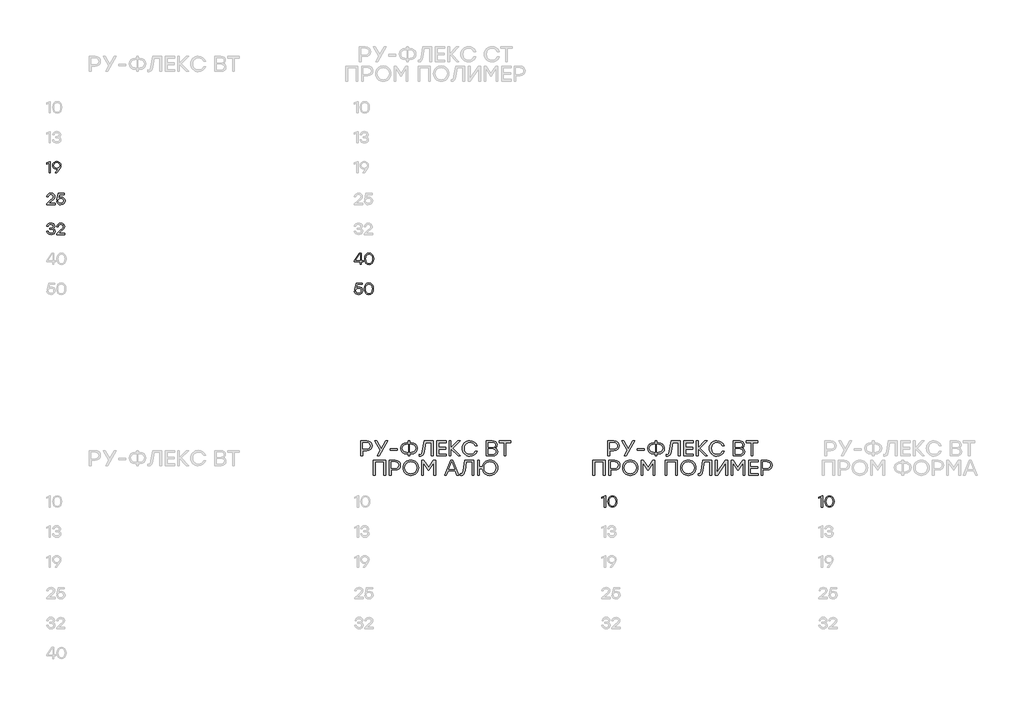
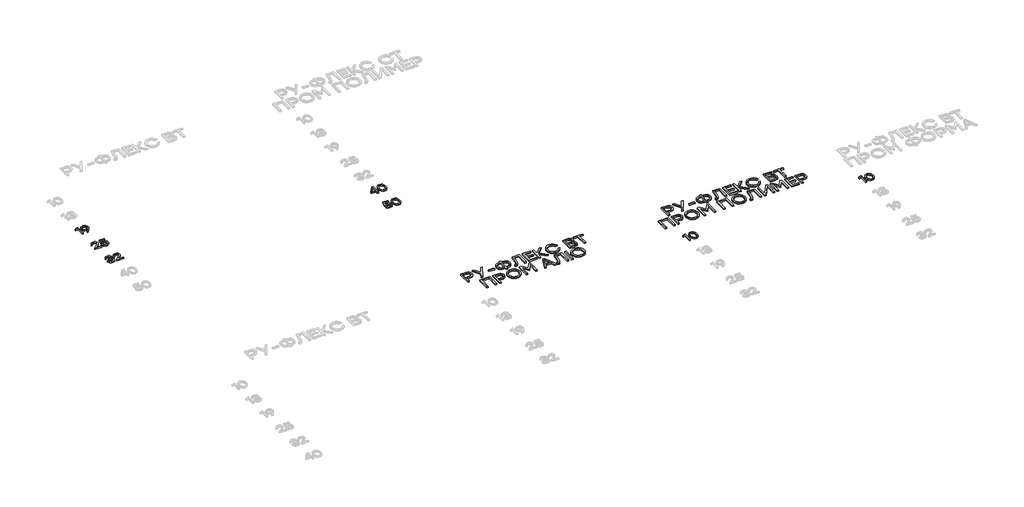
# One storey, part 19 of 41: 9 proxies.
"""IFC4 building model written with IfcOpenShell, lengths in millimetres."""

from ifc_helpers import new_model, si_unit, origin, origin_with_axes, place, context, project, spatial, polyline, outline, extrude, element, save

model = new_model("IFC4")

# Units and contexts
model_context = context("Model", 3, world=origin())
ifc_project = project(units=[si_unit("LENGTHUNIT", "METRE", prefix="MILLI")], contexts=[model_context])

# Site, building, storey
site = spatial("IfcSite", under=ifc_project)
building = spatial("IfcBuilding", under=site)
storey = spatial("IfcBuildingStorey", under=building, Elevation=0.0)

# Proxies
placement = place(None, origin())
element("IfcBuildingElementProxy", 1, Name="Generic Models", at=placement, inside=storey, context=model_context, shape_type="SweptSolid", body=[
    extrude(outline(polyline([(21471.7561063, -39096.9939183), (21479.9051135, -39096.9939183), (21479.9051135, -39246.9840604), (21462.1144592, -39246.9840604), (21462.1144592, -39117.7698524), (21427.6223744, -39131.6877112), (21427.6223744, -39114.1391067), (21471.7561063, -39096.9939183)])), origin_with_axes(), (0.0, 0.0, 1.0), 20.0),
    extrude(outline(polyline([(21563.3315831, -39094.6137627), (21585.2017837, -39098.2596366), (21603.2092742, -39109.1972582), (21615.2663758, -39126.3474893), (21619.2854097, -39148.6311915), (21616.6581617, -39166.4722728), (21608.7764177, -39184.4142082), (21567.0026705, -39243.9987805), (21564.6225149, -39246.9840604), (21543.8465808, -39246.9840604), (21586.4876728, -39189.9813517), (21572.5093016, -39195.9418261), (21558.4099055, -39197.9286508), (21538.7484086, -39194.5802964), (21522.2033018, -39184.5352331), (21510.963118, -39168.7011473), (21507.2163901, -39147.9857256), (21511.2354239, -39126.438258), (21523.2925255, -39109.3989663), (21541.3403577, -39098.3100636), (21563.3315831, -39094.6137627)]), holes=[polyline([(21563.129875, -39183.9704504), (21578.5151602, -39181.5096116), (21590.7840553, -39174.1270952), (21598.8170804, -39162.6196482), (21601.4947554, -39147.7840175), (21598.7616106, -39132.9433442), (21590.5621764, -39121.420769), (21578.2932813, -39114.0231245), (21563.3517539, -39111.557243), (21548.4102265, -39114.0735515), (21536.1413314, -39121.6224771), (21527.9418972, -39133.2459063), (21525.2087525, -39147.9857256), (21527.911641, -39162.7961427), (21536.0203066, -39174.2279492), (21548.2034757, -39181.5348251), (21563.129875, -39183.9704504)])]), origin_with_axes(), (0.0, 0.0, 1.0), 20.0),
])
element("IfcBuildingElementProxy", 2, Name="Generic Models", at=placement, inside=storey, context=model_context, shape_type="SweptSolid", body=[
    extrude(outline(polyline([(21542.2732576, -39653.838872), (21542.2732576, -39670.9840604), (21429.7604802, -39670.9840604), (21429.7604802, -39658.1150837), (21473.2487463, -39620.1939612), (21511.9363596, -39584.2092364), (21518.2901647, -39574.2448563), (21520.4080997, -39563.6350103), (21518.1035847, -39552.3595276), (21511.1900396, -39543.3835172), (21500.4188271, -39537.5138116), (21486.54131, -39535.557243), (21472.608323, -39537.6197083), (21461.6707014, -39543.8071042), (21453.7940002, -39553.7462708), (21449.0437744, -39567.064048), (21431.051412, -39567.064048), (21437.2488934, -39547.06469), (21449.4673614, -39531.6844475), (21466.5671655, -39521.8814339), (21487.4086548, -39518.6137627), (21507.9526246, -39521.7755372), (21524.1598704, -39531.2608605), (21534.6890331, -39545.5165804), (21538.198754, -39562.9895444), (21535.6521893, -39577.6285097), (21528.012495, -39590.724408), (21487.812071, -39628.9884343), (21459.0888377, -39653.838872), (21542.2732576, -39653.838872)])), origin_with_axes(), (0.0, 0.0, 1.0), 20.0),
    extrude(outline(polyline([(21623.3599133, -39571.9857256), (21643.2483318, -39575.3592936), (21659.667371, -39585.4799974), (21670.6806332, -39601.1779302), (21674.3517206, -39621.2831849), (21670.4436262, -39641.9834785), (21658.7193429, -39658.6596956), (21641.1556103, -39669.6578297), (21619.7291675, -39673.3238744), (21598.771696, -39670.2730394), (21580.9205293, -39661.1205344), (21567.9002715, -39646.3908005), (21561.435527, -39626.6082787), (21579.4278894, -39626.6082787), (21584.5764886, -39639.3108462), (21593.5676271, -39648.6953155), (21605.5642163, -39654.4893806), (21619.7291675, -39656.4207357), (21634.2168517, -39653.8993845), (21645.9713911, -39646.3353308), (21653.7623664, -39635.0295918), (21656.3593582, -39621.2831849), (21653.7875799, -39607.3401126), (21646.0722452, -39596.4125764), (21634.3933462, -39589.3477502), (21619.9308756, -39586.9928081), (21598.9330625, -39591.8640587), (21584.349567, -39606.4778105), (21567.2043786, -39606.4778105), (21585.4387907, -39520.9939183), (21667.2919371, -39520.9939183), (21667.2919371, -39537.8970569), (21598.9128917, -39537.8970569), (21589.0695365, -39584.6126526), (21604.500206, -39575.1424574), (21623.3599133, -39571.9857256)])), origin_with_axes(), (0.0, 0.0, 1.0), 20.0),
])
element("IfcBuildingElementProxy", 3, Name="Generic Models", at=placement, inside=storey, context=model_context, shape_type="SweptSolid", body=[
    extrude(outline(polyline([(21515.4864221, -39991.9144858), (21526.6963497, -39997.3807752), (21535.0722785, -40005.6306365), (21540.2914755, -40016.2909095), (21542.0312079, -40028.9884343), (21538.334907, -40047.2379745), (21527.2460043, -40061.3222425), (21510.1562856, -40070.3234664), (21488.4575369, -40073.3238744), (21467.0714357, -40070.4344058), (21449.1446285, -40061.7660003), (21436.2000112, -40047.5808783), (21429.7604802, -40028.1412603), (21447.7528426, -40028.1412603), (21452.6140078, -40040.5135308), (21460.9848939, -40049.3508668), (21472.8655009, -40054.6532685), (21488.2558288, -40056.4207357), (21503.1671, -40054.4893806), (21514.4980524, -40048.6953155), (21521.6536472, -40039.5831522), (21524.0388455, -40027.6975024), (21522.0318499, -40016.9162046), (21516.0108632, -40008.5352331), (21505.6430669, -40003.1496268), (21490.5956427, -40001.3544248), (21469.8197086, -40001.3544248), (21469.8197086, -39985.7018763), (21485.472257, -39985.7018763), (21500.1919055, -39984.2546207), (21510.7059402, -39979.9128539), (21517.014361, -39972.6765758), (21519.1171679, -39962.5457866), (21516.8378664, -39951.4064568), (21509.9999618, -39942.8389054), (21499.4102867, -39937.3776586), (21485.8756732, -39935.557243), (21473.0369528, -39937.0851818), (21462.7599251, -39941.6689984), (21455.0950174, -39949.7827067), (21450.0926565, -39961.9003207), (21432.1002941, -39961.9003207), (21438.7717895, -39942.6977097), (21450.6372684, -39929.2236087), (21466.7890444, -39921.2662242), (21486.3194311, -39918.6137627), (21506.3339171, -39921.5334874), (21522.6470596, -39930.2926616), (21533.4939126, -39943.6608659), (21537.1095303, -39960.4076807), (21531.5423868, -39979.690975), (21524.7448238, -39986.9222103), (21515.4864221, -39991.9144858)])), origin_with_axes(), (0.0, 0.0, 1.0), 20.0),
    extrude(outline(polyline([(21673.9483044, -40053.838872), (21673.9483044, -40070.9840604), (21561.435527, -40070.9840604), (21561.435527, -40058.1150837), (21604.923793, -40020.1939612), (21643.6114064, -39984.2092364), (21649.9652115, -39974.2448563), (21652.0831465, -39963.6350103), (21649.7786315, -39952.3595276), (21642.8650864, -39943.3835172), (21632.0938739, -39937.5138116), (21618.2163567, -39935.557243), (21604.2833698, -39937.6197083), (21593.3457482, -39943.8071042), (21585.4690469, -39953.7462708), (21580.7188212, -39967.064048), (21562.7264588, -39967.064048), (21568.9239401, -39947.06469), (21581.1424082, -39931.6844475), (21598.2422123, -39921.8814339), (21619.0837016, -39918.6137627), (21639.6276714, -39921.7755372), (21655.8349171, -39931.2608605), (21666.3640799, -39945.5165804), (21669.8738008, -39962.9895444), (21667.327236, -39977.6285097), (21659.6875418, -39990.724408), (21619.4871178, -40028.9884343), (21590.7638845, -40053.838872), (21673.9483044, -40053.838872)])), origin_with_axes(), (0.0, 0.0, 1.0), 20.0),
])
element("IfcBuildingElementProxy", 4, Name="Generic Models", at=placement, inside=storey, context=model_context, shape_type="SweptSolid", body=[
    extrude(outline(polyline([(25656.268899, -40418.2575634), (25656.268899, -40434.9993356), (25634.202033, -40434.9993356), (25634.202033, -40470.9840604), (25616.4113787, -40470.9840604), (25616.4113787, -40434.9993356), (25536.0508722, -40434.9993356), (25536.0508722, -40418.2575634), (25607.6169056, -40320.9939183), (25634.202033, -40320.9939183), (25634.202033, -40418.2575634), (25656.268899, -40418.2575634)]), holes=[polyline([(25555.7375827, -40418.0558553), (25616.4113787, -40418.0558553), (25616.4113787, -40337.6953488), (25614.6766891, -40337.6953488), (25555.7375827, -40418.0558553)])]), origin_with_axes(), (0.0, 0.0, 1.0), 20.0),
    extrude(outline(polyline([(25735.8629147, -40318.6137627), (25761.3689038, -40323.676636), (25780.4404045, -40338.8652558), (25792.3310969, -40363.266893), (25796.2946611, -40395.9688185), (25792.3310969, -40428.670744), (25780.4404045, -40453.0723813), (25761.3689038, -40468.2610011), (25735.8629147, -40473.3238744), (25710.5082067, -40468.2912573), (25691.4064498, -40453.1934061), (25679.4249887, -40428.8270678), (25675.4311684, -40395.9889893), (25679.4249887, -40363.1458682), (25691.4064498, -40338.7644018), (25710.5082067, -40323.6514225), (25735.8629147, -40318.6137627)]), holes=[polyline([(25704.6788427, -40441.7363861), (25718.1025167, -40452.7496483), (25735.8629147, -40456.4207357), (25753.6233128, -40452.7496483), (25767.0469868, -40441.7363861), (25775.4884707, -40422.9573621), (25778.3022987, -40395.9889893), (25775.4884707, -40369.0206166), (25767.0469868, -40350.2415926), (25753.6233128, -40339.2283304), (25735.8629147, -40335.557243), (25718.1025167, -40339.2283304), (25704.6788427, -40350.2415926), (25696.2373588, -40369.0206166), (25693.4235308, -40395.9889893), (25696.2373588, -40422.9573621), (25704.6788427, -40441.7363861)])]), origin_with_axes(), (0.0, 0.0, 1.0), 20.0),
])
element("IfcBuildingElementProxy", 5, Name="Generic Models", at=placement, inside=storey, context=model_context, shape_type="SweptSolid", body=[
    extrude(outline(polyline([(25600.1133644, -40771.9857256), (25620.0017829, -40775.3592936), (25636.4208221, -40785.4799974), (25647.4340843, -40801.1779302), (25651.1051717, -40821.2831849), (25647.1970773, -40841.9834785), (25635.4727941, -40858.6596956), (25617.9090614, -40869.6578297), (25596.4826186, -40873.3238744), (25575.5251471, -40870.2730394), (25557.6739804, -40861.1205344), (25544.6537227, -40846.3908005), (25538.1889781, -40826.6082787), (25556.1813405, -40826.6082787), (25561.3299397, -40839.3108462), (25570.3210782, -40848.6953155), (25582.3176674, -40854.4893806), (25596.4826186, -40856.4207357), (25610.9703028, -40853.8993845), (25622.7248422, -40846.3353308), (25630.5158175, -40835.0295918), (25633.1128093, -40821.2831849), (25630.541031, -40807.3401126), (25622.8256963, -40796.4125764), (25611.1467974, -40789.3477502), (25596.6843267, -40786.9928081), (25575.6865136, -40791.8640587), (25561.1030181, -40806.4778105), (25543.9578297, -40806.4778105), (25562.1922418, -40720.9939183), (25644.0453882, -40720.9939183), (25644.0453882, -40737.8970569), (25575.6663428, -40737.8970569), (25565.8229876, -40784.6126526), (25581.2536571, -40775.1424574), (25600.1133644, -40771.9857256)])), origin_with_axes(), (0.0, 0.0, 1.0), 20.0),
    extrude(outline(polyline([(25733.2810511, -40718.6137627), (25758.7870401, -40723.676636), (25777.8585409, -40738.8652558), (25789.7492333, -40763.266893), (25793.7127974, -40795.9688185), (25789.7492333, -40828.670744), (25777.8585409, -40853.0723813), (25758.7870401, -40868.2610011), (25733.2810511, -40873.3238744), (25707.9263431, -40868.2912573), (25688.8245861, -40853.1934061), (25676.8431251, -40828.8270678), (25672.8493047, -40795.9889893), (25676.8431251, -40763.1458682), (25688.8245861, -40738.7644018), (25707.9263431, -40723.6514225), (25733.2810511, -40718.6137627)]), holes=[polyline([(25702.096979, -40841.7363861), (25715.520653, -40852.7496483), (25733.2810511, -40856.4207357), (25751.0414492, -40852.7496483), (25764.4651231, -40841.7363861), (25772.906607, -40822.9573621), (25775.720435, -40795.9889893), (25772.906607, -40769.0206166), (25764.4651231, -40750.2415926), (25751.0414492, -40739.2283304), (25733.2810511, -40735.557243), (25715.520653, -40739.2283304), (25702.096979, -40750.2415926), (25693.6554951, -40769.0206166), (25690.8416671, -40795.9889893), (25693.6554951, -40822.9573621), (25702.096979, -40841.7363861)])]), origin_with_axes(), (0.0, 0.0, 1.0), 20.0),
])
element("IfcBuildingElementProxy", 6, Name="Generic Models", at=placement, inside=storey, context=model_context, shape_type="SweptSolid", body=[
    extrude(outline(polyline([(25706.1917531, -42828.8171815), (25735.2108249, -42833.2816541), (25757.0759828, -42846.6750718), (25770.7921335, -42867.128273), (25775.3641837, -42892.772096), (25770.7517919, -42918.8058879), (25756.9146163, -42939.6759525), (25735.0091168, -42953.3921032), (25706.1917531, -42957.9641534), (25649.6059079, -42957.9641534), (25649.6059079, -43028.8040377), (25625.8850355, -43028.8040377), (25625.8850355, -42828.8171815), (25706.1917531, -42828.8171815)]), holes=[polyline([(25705.3311319, -42935.3728464), (25725.1993796, -42932.3741193), (25739.6215087, -42923.3779381), (25748.3958109, -42909.8097067), (25751.3205784, -42893.0948289), (25748.3958109, -42876.4471872), (25739.6215087, -42863.0806639), (25725.1993796, -42854.2861908), (25705.3311319, -42851.3546997), (25649.6059079, -42851.3546997), (25649.6059079, -42935.3728464), (25705.3311319, -42935.3728464)])]), origin_with_axes(), (0.0, 0.0, 1.0), 20.0),
    extrude(outline(polyline([(25984.3875627, -42828.8171815), (25871.269661, -43028.8040377), (25844.4290367, -43028.8040377), (25885.8464329, -42956.242911), (25812.9625733, -42828.8171815), (25839.8569865, -42828.8171815), (25898.9709066, -42930.8007962), (25957.8158825, -42828.8171815), (25984.3875627, -42828.8171815)])), origin_with_axes(), (0.0, 0.0, 1.0), 20.0),
    extrude(outline(polyline([(26110.952671, -42931.3924733), (26110.952671, -42953.9299915), (26018.3283121, -42953.9299915), (26018.3283121, -42931.3924733), (26110.952671, -42931.3924733)])), origin_with_axes(), (0.0, 0.0, 1.0), 20.0),
    extrude(outline(polyline([(26301.5264826, -42851.3546997), (26333.1744832, -42856.4646382), (26358.9460546, -42871.7944537), (26368.9356482, -42882.8968036), (26376.0710722, -42895.7640994), (26381.7794114, -42926.7935286), (26376.1046902, -42957.8229578), (26369.0112888, -42970.6902536), (26359.0805267, -42981.7926035), (26333.3425733, -42997.122419), (26301.5264826, -43002.2323575), (26281.7859833, -43002.2323575), (26281.7859833, -43028.8040377), (26258.0651109, -43028.8040377), (26258.0651109, -43002.2323575), (26238.1094564, -43002.2323575), (26206.253024, -42997.122419), (26180.5016234, -42981.7926035), (26170.5708613, -42970.6902536), (26163.4774599, -42957.8229578), (26157.8027387, -42926.7935286), (26163.5178015, -42895.7640994), (26170.66163, -42882.8968036), (26180.6629899, -42871.7944537), (26206.4547321, -42856.4646382), (26238.1094564, -42851.3546997), (26258.0651109, -42851.3546997), (26258.0651109, -42828.8171815), (26281.7859833, -42828.8171815), (26281.7859833, -42851.3546997), (26301.5264826, -42851.3546997)]), holes=[polyline([(26301.5264826, -42979.6410504), (26324.1312368, -42976.1783948), (26342.2446241, -42965.7904277), (26354.1454019, -42949.1158915), (26358.1123278, -42926.7935286), (26354.1454019, -42904.4711657), (26342.2446241, -42887.7966295), (26324.1312368, -42877.4086625), (26301.5264826, -42873.9460068), (26281.7859833, -42873.9460068), (26281.7859833, -42979.6410504), (26301.5264826, -42979.6410504)]), polyline([(26238.1094564, -42979.6410504), (26258.0651109, -42979.6410504), (26258.0651109, -42873.9460068), (26238.1094564, -42873.9460068), (26215.7064102, -42877.4086625), (26197.660259, -42887.7966295), (26185.7594812, -42904.4711657), (26181.7925552, -42926.7935286), (26185.7191396, -42949.1158915), (26197.4988925, -42965.7904277), (26215.5047021, -42976.1783948), (26238.1094564, -42979.6410504)])]), origin_with_axes(), (0.0, 0.0, 1.0), 20.0),
    extrude(outline(polyline([(26471.4453848, -42828.8171815), (26591.7172004, -42828.8171815), (26591.7172004, -43028.8040377), (26567.9963281, -43028.8040377), (26567.9963281, -42851.3546997), (26491.4010394, -42851.3546997), (26472.3060061, -42967.6461422), (26465.205881, -42997.6670309), (26455.4163146, -43017.3739121), (26442.2111578, -43028.2863202), (26424.8642613, -43031.9237896), (26409.157924, -43031.0631684), (26409.157924, -43009.3862714), (26420.292211, -43009.9241597), (26430.9894639, -43007.6381345), (26438.5535176, -43000.7800592), (26448.8540778, -42966.2476327), (26471.4453848, -42828.8171815)])), origin_with_axes(), (0.0, 0.0, 1.0), 20.0),
    extrude(outline(polyline([(26768.3059172, -42851.3546997), (26665.1389483, -42851.3546997), (26665.1389483, -42914.8255148), (26761.4209474, -42914.8255148), (26761.4209474, -42937.363033), (26665.1389483, -42937.363033), (26665.1389483, -43006.2127306), (26768.3059172, -43006.2127306), (26768.3059172, -43028.8040377), (26641.4180759, -43028.8040377), (26641.4180759, -42828.8171815), (26768.3059172, -42828.8171815), (26768.3059172, -42851.3546997)])), origin_with_axes(), (0.0, 0.0, 1.0), 20.0),
    extrude(outline(polyline([(26954.9531444, -43028.8040377), (26924.4010911, -43028.8040377), (26830.3782227, -42931.6614174), (26830.3782227, -43028.8040377), (26806.6573503, -43028.8040377), (26806.6573503, -42828.8171815), (26830.3782227, -42828.8171815), (26830.3782227, -42922.5173169), (26921.2813392, -42828.8171815), (26951.5644484, -42828.8171815), (26856.9499029, -42926.820423), (26954.9531444, -43028.8040377)])), origin_with_axes(), (0.0, 0.0, 1.0), 20.0),
    extrude(outline(polyline([(27083.9925387, -43031.9237896), (27062.7946985, -43030.0848841), (27043.4693817, -43024.5681676), (27026.0165885, -43015.3736401), (27010.4363188, -43002.5013016), (26997.6228118, -42986.8605195), (26988.4703068, -42969.360661), (26982.9788038, -42950.0017263), (26981.1483028, -42928.7837152), (26982.9788038, -42907.5657041), (26988.4703068, -42888.2067693), (26997.6228118, -42870.7069109), (27010.4363188, -42855.0661287), (27026.0165885, -42842.1937902), (27043.4693817, -42832.9992628), (27062.7946985, -42827.4825463), (27083.9925387, -42825.6436408), (27115.4724493, -42830.182073), (27142.9988812, -42843.7973696), (27164.7430142, -42865.0506796), (27178.8760283, -42892.5031518), (27153.4339135, -42892.5031518), (27141.9701699, -42874.2956341), (27125.86714, -42860.2298561), (27106.1199171, -42851.2336749), (27083.7235946, -42848.2349478), (27052.8219139, -42853.9836286), (27027.5680599, -42871.229671), (27010.7456045, -42897.1222673), (27005.1381194, -42928.8106096), (27010.7456045, -42960.4989519), (27027.5680599, -42986.3915481), (27052.8219139, -43003.6375906), (27083.7235946, -43009.3862714), (27106.1199171, -43006.3875443), (27125.86714, -42997.3913631), (27141.9701699, -42983.3121378), (27153.4339135, -42965.0642785), (27178.8760283, -42965.0642785), (27164.7430142, -42992.5503688), (27142.9988812, -43013.7969551), (27115.4724493, -43027.392081), (27083.9925387, -43031.9237896)])), origin_with_axes(), (0.0, 0.0, 1.0), 20.0),
    extrude(outline(polyline([(27417.2681065, -42922.5173169), (27432.3995757, -42929.3451361), (27443.2077679, -42940.0928159), (27449.6926833, -42954.7603565), (27451.8543218, -42973.3477578), (27447.6722405, -42996.5509127), (27435.1259968, -43014.0927937), (27414.5786651, -43025.1262267), (27386.3933202, -43028.8040377), (27302.3751735, -43028.8040377), (27302.3751735, -42828.8171815), (27384.9948107, -42828.8171815), (27411.2908231, -42832.1386415), (27430.258108, -42842.1030216), (27441.7352988, -42858.1320918), (27445.5610291, -42879.6476224), (27443.7927214, -42894.0058772), (27438.4877984, -42905.9369112), (27429.6462601, -42915.4407245), (27417.2681065, -42922.5173169)]), holes=[polyline([(27386.124376, -43006.2127306), (27404.5033456, -43004.054454), (27417.631181, -42997.579624), (27425.5078823, -42986.7882407), (27428.1334494, -42971.6803042), (27425.6322689, -42956.3572123), (27418.1287277, -42945.243096), (27404.9773596, -42938.4858747), (27385.5326989, -42936.2334676), (27326.0960459, -42936.2334676), (27326.0960459, -43006.2127306), (27386.124376, -43006.2127306)]), polyline([(27421.5712126, -42883.0901072), (27419.2851874, -42869.3067205), (27412.4271121, -42859.3692348), (27400.2842846, -42853.3583335), (27382.1440029, -42851.3546997), (27326.0960459, -42851.3546997), (27326.0960459, -42914.5027818), (27381.5523258, -42914.5027818), (27400.1363653, -42912.5058716), (27412.4271121, -42906.5151411), (27419.2851874, -42896.6650623), (27421.5712126, -42883.0901072)])]), origin_with_axes(), (0.0, 0.0, 1.0), 20.0),
    extrude(outline(polyline([(27629.1960821, -42828.8171815), (27629.1960821, -42851.3546997), (27564.5957017, -42851.3546997), (27564.5957017, -43028.8040377), (27540.6058852, -43028.8040377), (27540.6058852, -42851.3546997), (27476.3282377, -42851.3546997), (27476.3282377, -42828.8171815), (27629.1960821, -42828.8171815)])), origin_with_axes(), (0.0, 0.0, 1.0), 20.0),
    extrude(outline(polyline([(25956.3097954, -43087.3394245), (25956.3097954, -43287.3262807), (25932.588923, -43287.3262807), (25932.588923, -43109.8769427), (25816.5664247, -43109.8769427), (25816.5664247, -43287.3262807), (25792.8455523, -43287.3262807), (25792.8455523, -43087.3394245), (25816.5664247, -43087.3394245), (25956.3097954, -43087.3394245)])), origin_with_axes(), (0.0, 0.0, 1.0), 20.0),
    extrude(outline(polyline([(26086.5863327, -43087.3394245), (26115.6054045, -43091.8038971), (26137.4705624, -43105.1973149), (26151.1867131, -43125.6505161), (26155.7587633, -43151.294339), (26151.1463715, -43177.3281309), (26137.3091959, -43198.1981955), (26115.4036964, -43211.9143462), (26086.5863327, -43216.4863965), (26030.0004874, -43216.4863965), (26030.0004874, -43287.3262807), (26006.279615, -43287.3262807), (26006.279615, -43087.3394245), (26086.5863327, -43087.3394245)]), holes=[polyline([(26085.7257115, -43193.8950894), (26105.5939592, -43190.8963623), (26120.0160882, -43181.9001812), (26128.7903905, -43168.3319497), (26131.715158, -43151.6170719), (26128.7903905, -43134.9694302), (26120.0160882, -43121.6029069), (26105.5939592, -43112.8084338), (26085.7257115, -43109.8769427), (26030.0004874, -43109.8769427), (26030.0004874, -43193.8950894), (26085.7257115, -43193.8950894)])]), origin_with_axes(), (0.0, 0.0, 1.0), 20.0),
    extrude(outline(polyline([(26220.3591437, -43113.7497382), (26236.1528878, -43100.8068019), (26253.6813216, -43091.5618474), (26272.944445, -43086.0148747), (26293.9422581, -43084.1658838), (26314.9215812, -43086.0148747), (26334.1292349, -43091.5618474), (26351.5652191, -43100.8068019), (26367.2295339, -43113.7497382), (26380.1607039, -43129.4426283), (26389.3972539, -43146.9374441), (26394.9391839, -43166.2341855), (26396.7864939, -43187.3328526), (26394.9290985, -43208.4298388), (26389.3569123, -43227.7215376), (26380.0699353, -43245.2079488), (26367.0681674, -43260.8890726), (26351.3349357, -43273.8202426), (26333.8535672, -43283.0567926), (26314.6240618, -43288.5987226), (26293.6464195, -43290.4460326), (26272.6687773, -43288.5987226), (26253.4392719, -43283.0567926), (26235.9579033, -43273.8202426), (26220.2246716, -43260.8890726), (26207.2229038, -43245.2079488), (26197.9359267, -43227.7215376), (26192.3637405, -43208.4298388), (26190.5063451, -43187.3328526), (26192.372145, -43166.2341855), (26197.9695447, -43146.9374441), (26207.2985443, -43129.4426283), (26220.3591437, -43113.7497382)]), holes=[polyline([(26293.6733139, -43106.7571908), (26262.8657637, -43112.5394896), (26237.3564128, -43129.8863861), (26220.2112244, -43155.8058768), (26214.4961616, -43187.3059582), (26220.2112244, -43218.8127632), (26237.3564128, -43244.7524247), (26262.8657637, -43262.119492), (26293.6733139, -43267.9085144), (26324.6422307, -43262.1598336), (26350.0977927, -43244.9137912), (26367.1219562, -43219.0211949), (26372.7966774, -43187.3328526), (26367.1219562, -43155.6445103), (26350.0977927, -43129.7519141), (26324.6422307, -43112.5058716), (26293.6733139, -43106.7571908)])]), origin_with_axes(), (0.0, 0.0, 1.0), 20.0),
    extrude(outline(polyline([(26594.6217971, -43087.3394245), (26623.7753409, -43087.3394245), (26623.7753409, -43287.3262807), (26600.0544685, -43287.3262807), (26600.0544685, -43117.8914779), (26532.3343362, -43220.1978255), (26530.0752055, -43220.1978255), (26462.3550732, -43117.8914779), (26462.3550732, -43287.3262807), (26438.6342008, -43287.3262807), (26438.6342008, -43087.3394245), (26467.7877447, -43087.3394245), (26531.2047709, -43182.7608024), (26594.6217971, -43087.3394245)])), origin_with_axes(), (0.0, 0.0, 1.0), 20.0),
    extrude(outline(polyline([(26910.200841, -43287.3262807), (26886.4799686, -43227.2979505), (26793.6404544, -43227.2979505), (26769.919582, -43287.3262807), (26744.8002001, -43287.3262807), (26824.7841848, -43087.3394245), (26855.3362381, -43087.3394245), (26935.3740117, -43287.3262807), (26910.200841, -43287.3262807)]), holes=[polyline([(26802.7845548, -43204.7604323), (26877.658601, -43204.7604323), (26840.2215779, -43109.8769427), (26802.7845548, -43204.7604323)])]), origin_with_axes(), (0.0, 0.0, 1.0), 20.0),
    extrude(outline(polyline([(27017.0792388, -43087.3394245), (27137.3510544, -43087.3394245), (27137.3510544, -43287.3262807), (27113.630182, -43287.3262807), (27113.630182, -43109.8769427), (27037.0348934, -43109.8769427), (27017.93986, -43226.1683852), (27010.839735, -43256.1892739), (27001.0501686, -43275.8961551), (26987.8450117, -43286.8085632), (26970.4981152, -43290.4460326), (26954.791778, -43289.5854114), (26954.791778, -43267.9085144), (26965.926065, -43268.4464027), (26976.6233178, -43266.1603775), (26984.1873715, -43259.3023022), (26994.4879318, -43224.7698757), (27017.0792388, -43087.3394245)])), origin_with_axes(), (0.0, 0.0, 1.0), 20.0),
    extrude(outline(polyline([(27351.3767942, -43084.1658838), (27372.3645219, -43086.0148747), (27391.5973891, -43091.5618474), (27409.0753959, -43100.8068019), (27424.7985421, -43113.7497382), (27437.7885437, -43129.4426283), (27447.0671162, -43146.9374441), (27452.6342597, -43166.2341855), (27454.4899743, -43187.3328526), (27452.6342597, -43208.4298388), (27447.0671162, -43227.7215376), (27437.7885437, -43245.2079488), (27424.7985421, -43260.8890726), (27409.0753959, -43273.8202426), (27391.5973891, -43283.0567926), (27372.3645219, -43288.5987226), (27351.3767942, -43290.4460326), (27331.8195132, -43288.8306869), (27313.704445, -43283.9846499), (27297.0315898, -43275.9079214), (27281.8009474, -43264.6005016), (27268.8563302, -43250.8120721), (27259.0415503, -43235.2923149), (27252.3566077, -43218.0412297), (27248.8015025, -43199.0588167), (27210.7728023, -43199.0588167), (27210.7728023, -43287.3262807), (27187.0519299, -43287.3262807), (27187.0519299, -43087.3394245), (27210.7728023, -43087.3394245), (27210.7728023, -43176.1985656), (27248.5325584, -43176.1985656), (27252.0859827, -43157.0648715), (27258.7658826, -43139.6826761), (27268.572258, -43124.0519794), (27281.5051089, -43110.1727813), (27296.7441557, -43098.7947636), (27313.4691189, -43090.6676081), (27331.6799984, -43085.7913149), (27351.3767942, -43084.1658838)]), holes=[polyline([(27294.8985266, -43244.9406856), (27320.3944303, -43262.1665572), (27351.3767942, -43267.9085144), (27382.345711, -43262.1598336), (27407.801273, -43244.9137912), (27424.8254366, -43219.0211949), (27430.5001577, -43187.3328526), (27424.8254366, -43155.6445103), (27407.801273, -43129.7519141), (27382.345711, -43112.5058716), (27351.3767942, -43106.7571908), (27320.4011539, -43112.5058716), (27294.925421, -43129.7519141), (27277.8138507, -43155.6445103), (27271.9306978, -43187.3328526), (27277.8071271, -43219.0279185), (27294.8985266, -43244.9406856)])]), origin_with_axes(), (0.0, 0.0, 1.0), 20.0),
])
element("IfcBuildingElementProxy", 7, Name="Generic Models", at=placement, inside=storey, context=model_context, shape_type="SweptSolid", body=[
    extrude(outline(polyline([(29006.1917531, -42828.8171815), (29035.2108249, -42833.2816541), (29057.0759828, -42846.6750718), (29070.7921335, -42867.128273), (29075.3641837, -42892.772096), (29070.7517919, -42918.8058879), (29056.9146163, -42939.6759525), (29035.0091168, -42953.3921032), (29006.1917531, -42957.9641534), (28949.6059079, -42957.9641534), (28949.6059079, -43028.8040377), (28925.8850355, -43028.8040377), (28925.8850355, -42828.8171815), (29006.1917531, -42828.8171815)]), holes=[polyline([(29005.3311319, -42935.3728464), (29025.1993796, -42932.3741193), (29039.6215087, -42923.3779381), (29048.3958109, -42909.8097067), (29051.3205784, -42893.0948289), (29048.3958109, -42876.4471872), (29039.6215087, -42863.0806639), (29025.1993796, -42854.2861908), (29005.3311319, -42851.3546997), (28949.6059079, -42851.3546997), (28949.6059079, -42935.3728464), (29005.3311319, -42935.3728464)])]), origin_with_axes(), (0.0, 0.0, 1.0), 20.0),
    extrude(outline(polyline([(29284.3875627, -42828.8171815), (29171.269661, -43028.8040377), (29144.4290367, -43028.8040377), (29185.8464329, -42956.242911), (29112.9625733, -42828.8171815), (29139.8569865, -42828.8171815), (29198.9709066, -42930.8007962), (29257.8158825, -42828.8171815), (29284.3875627, -42828.8171815)])), origin_with_axes(), (0.0, 0.0, 1.0), 20.0),
    extrude(outline(polyline([(29410.952671, -42931.3924733), (29410.952671, -42953.9299915), (29318.3283121, -42953.9299915), (29318.3283121, -42931.3924733), (29410.952671, -42931.3924733)])), origin_with_axes(), (0.0, 0.0, 1.0), 20.0),
    extrude(outline(polyline([(29601.5264826, -42851.3546997), (29633.1744832, -42856.4646382), (29658.9460546, -42871.7944537), (29668.9356482, -42882.8968036), (29676.0710722, -42895.7640994), (29681.7794114, -42926.7935286), (29676.1046902, -42957.8229578), (29669.0112888, -42970.6902536), (29659.0805267, -42981.7926035), (29633.3425733, -42997.122419), (29601.5264826, -43002.2323575), (29581.7859833, -43002.2323575), (29581.7859833, -43028.8040377), (29558.0651109, -43028.8040377), (29558.0651109, -43002.2323575), (29538.1094564, -43002.2323575), (29506.253024, -42997.122419), (29480.5016234, -42981.7926035), (29470.5708614, -42970.6902536), (29463.4774599, -42957.8229578), (29457.8027387, -42926.7935286), (29463.5178015, -42895.7640994), (29470.66163, -42882.8968036), (29480.6629899, -42871.7944537), (29506.4547321, -42856.4646382), (29538.1094564, -42851.3546997), (29558.0651109, -42851.3546997), (29558.0651109, -42828.8171815), (29581.7859833, -42828.8171815), (29581.7859833, -42851.3546997), (29601.5264826, -42851.3546997)]), holes=[polyline([(29601.5264826, -42979.6410504), (29624.1312368, -42976.1783948), (29642.2446241, -42965.7904277), (29654.1454019, -42949.1158915), (29658.1123278, -42926.7935286), (29654.1454019, -42904.4711657), (29642.2446241, -42887.7966295), (29624.1312368, -42877.4086625), (29601.5264826, -42873.9460068), (29581.7859833, -42873.9460068), (29581.7859833, -42979.6410504), (29601.5264826, -42979.6410504)]), polyline([(29538.1094564, -42979.6410504), (29558.0651109, -42979.6410504), (29558.0651109, -42873.9460068), (29538.1094564, -42873.9460068), (29515.7064102, -42877.4086625), (29497.660259, -42887.7966295), (29485.7594812, -42904.4711657), (29481.7925552, -42926.7935286), (29485.7191396, -42949.1158915), (29497.4988925, -42965.7904277), (29515.5047021, -42976.1783948), (29538.1094564, -42979.6410504)])]), origin_with_axes(), (0.0, 0.0, 1.0), 20.0),
    extrude(outline(polyline([(29771.4453848, -42828.8171815), (29891.7172004, -42828.8171815), (29891.7172004, -43028.8040377), (29867.9963281, -43028.8040377), (29867.9963281, -42851.3546997), (29791.4010394, -42851.3546997), (29772.3060061, -42967.6461422), (29765.205881, -42997.6670309), (29755.4163146, -43017.3739121), (29742.2111578, -43028.2863202), (29724.8642613, -43031.9237896), (29709.157924, -43031.0631684), (29709.157924, -43009.3862714), (29720.292211, -43009.9241597), (29730.9894639, -43007.6381345), (29738.5535176, -43000.7800592), (29748.8540778, -42966.2476327), (29771.4453848, -42828.8171815)])), origin_with_axes(), (0.0, 0.0, 1.0), 20.0),
    extrude(outline(polyline([(30068.3059172, -42851.3546997), (29965.1389483, -42851.3546997), (29965.1389483, -42914.8255148), (30061.4209474, -42914.8255148), (30061.4209474, -42937.363033), (29965.1389483, -42937.363033), (29965.1389483, -43006.2127306), (30068.3059172, -43006.2127306), (30068.3059172, -43028.8040377), (29941.4180759, -43028.8040377), (29941.4180759, -42828.8171815), (30068.3059172, -42828.8171815), (30068.3059172, -42851.3546997)])), origin_with_axes(), (0.0, 0.0, 1.0), 20.0),
    extrude(outline(polyline([(30254.9531444, -43028.8040377), (30224.4010911, -43028.8040377), (30130.3782227, -42931.6614174), (30130.3782227, -43028.8040377), (30106.6573503, -43028.8040377), (30106.6573503, -42828.8171815), (30130.3782227, -42828.8171815), (30130.3782227, -42922.5173169), (30221.2813392, -42828.8171815), (30251.5644484, -42828.8171815), (30156.9499029, -42926.820423), (30254.9531444, -43028.8040377)])), origin_with_axes(), (0.0, 0.0, 1.0), 20.0),
    extrude(outline(polyline([(30383.9925387, -43031.9237896), (30362.7946985, -43030.0848841), (30343.4693817, -43024.5681676), (30326.0165885, -43015.3736401), (30310.4363188, -43002.5013016), (30297.6228118, -42986.8605195), (30288.4703068, -42969.360661), (30282.9788038, -42950.0017263), (30281.1483028, -42928.7837152), (30282.9788038, -42907.5657041), (30288.4703068, -42888.2067693), (30297.6228118, -42870.7069109), (30310.4363188, -42855.0661287), (30326.0165885, -42842.1937902), (30343.4693817, -42832.9992628), (30362.7946985, -42827.4825463), (30383.9925387, -42825.6436408), (30415.4724493, -42830.182073), (30442.9988812, -42843.7973696), (30464.7430142, -42865.0506796), (30478.8760283, -42892.5031518), (30453.4339135, -42892.5031518), (30441.9701699, -42874.2956341), (30425.86714, -42860.2298561), (30406.1199171, -42851.2336749), (30383.7235946, -42848.2349478), (30352.8219139, -42853.9836286), (30327.5680599, -42871.229671), (30310.7456045, -42897.1222673), (30305.1381194, -42928.8106096), (30310.7456045, -42960.4989519), (30327.5680599, -42986.3915481), (30352.8219139, -43003.6375906), (30383.7235946, -43009.3862714), (30406.1199171, -43006.3875443), (30425.86714, -42997.3913631), (30441.9701699, -42983.3121378), (30453.4339135, -42965.0642785), (30478.8760283, -42965.0642785), (30464.7430142, -42992.5503688), (30442.9988812, -43013.7969551), (30415.4724493, -43027.392081), (30383.9925387, -43031.9237896)])), origin_with_axes(), (0.0, 0.0, 1.0), 20.0),
    extrude(outline(polyline([(30717.2681065, -42922.5173169), (30732.3995757, -42929.3451361), (30743.2077679, -42940.0928159), (30749.6926833, -42954.7603565), (30751.8543218, -42973.3477578), (30747.6722405, -42996.5509127), (30735.1259968, -43014.0927937), (30714.5786651, -43025.1262267), (30686.3933202, -43028.8040377), (30602.3751735, -43028.8040377), (30602.3751735, -42828.8171815), (30684.9948107, -42828.8171815), (30711.2908231, -42832.1386415), (30730.258108, -42842.1030216), (30741.7352988, -42858.1320918), (30745.5610291, -42879.6476224), (30743.7927214, -42894.0058772), (30738.4877984, -42905.9369112), (30729.6462601, -42915.4407245), (30717.2681065, -42922.5173169)]), holes=[polyline([(30686.124376, -43006.2127306), (30704.5033456, -43004.054454), (30717.631181, -42997.579624), (30725.5078823, -42986.7882407), (30728.1334494, -42971.6803042), (30725.6322689, -42956.3572123), (30718.1287277, -42945.243096), (30704.9773596, -42938.4858747), (30685.5326989, -42936.2334676), (30626.0960459, -42936.2334676), (30626.0960459, -43006.2127306), (30686.124376, -43006.2127306)]), polyline([(30721.5712126, -42883.0901072), (30719.2851874, -42869.3067205), (30712.4271121, -42859.3692348), (30700.2842846, -42853.3583335), (30682.1440029, -42851.3546997), (30626.0960459, -42851.3546997), (30626.0960459, -42914.5027818), (30681.5523258, -42914.5027818), (30700.1363653, -42912.5058716), (30712.4271121, -42906.5151411), (30719.2851874, -42896.6650623), (30721.5712126, -42883.0901072)])]), origin_with_axes(), (0.0, 0.0, 1.0), 20.0),
    extrude(outline(polyline([(30929.1960821, -42828.8171815), (30929.1960821, -42851.3546997), (30864.5957017, -42851.3546997), (30864.5957017, -43028.8040377), (30840.6058852, -43028.8040377), (30840.6058852, -42851.3546997), (30776.3282377, -42851.3546997), (30776.3282377, -42828.8171815), (30929.1960821, -42828.8171815)])), origin_with_axes(), (0.0, 0.0, 1.0), 20.0),
    extrude(outline(polyline([(28887.9639129, -43087.3394245), (28887.9639129, -43287.3262807), (28864.2430405, -43287.3262807), (28864.2430405, -43109.8769427), (28748.2205422, -43109.8769427), (28748.2205422, -43287.3262807), (28724.4996698, -43287.3262807), (28724.4996698, -43087.3394245), (28748.2205422, -43087.3394245), (28887.9639129, -43087.3394245)])), origin_with_axes(), (0.0, 0.0, 1.0), 20.0),
    extrude(outline(polyline([(29018.2404502, -43087.3394245), (29047.259522, -43091.8038971), (29069.1246799, -43105.1973149), (29082.8408306, -43125.6505161), (29087.4128808, -43151.294339), (29082.800489, -43177.3281309), (29068.9633134, -43198.1981955), (29047.0578139, -43211.9143462), (29018.2404502, -43216.4863965), (28961.6546049, -43216.4863965), (28961.6546049, -43287.3262807), (28937.9337325, -43287.3262807), (28937.9337325, -43087.3394245), (29018.2404502, -43087.3394245)]), holes=[polyline([(29017.379829, -43193.8950894), (29037.2480767, -43190.8963623), (29051.6702058, -43181.9001812), (29060.444508, -43168.3319497), (29063.3692755, -43151.6170719), (29060.444508, -43134.9694302), (29051.6702058, -43121.6029069), (29037.2480767, -43112.8084338), (29017.379829, -43109.8769427), (28961.6546049, -43109.8769427), (28961.6546049, -43193.8950894), (29017.379829, -43193.8950894)])]), origin_with_axes(), (0.0, 0.0, 1.0), 20.0),
    extrude(outline(polyline([(29152.0132612, -43113.7497382), (29167.8070053, -43100.8068019), (29185.3354391, -43091.5618474), (29204.5985625, -43086.0148747), (29225.5963756, -43084.1658838), (29246.5756987, -43086.0148747), (29265.7833524, -43091.5618474), (29283.2193367, -43100.8068019), (29298.8836514, -43113.7497382), (29311.8148214, -43129.4426283), (29321.0513715, -43146.9374441), (29326.5933015, -43166.2341855), (29328.4406115, -43187.3328526), (29326.5832161, -43208.4298388), (29321.0110298, -43227.7215376), (29311.7240528, -43245.2079488), (29298.7222849, -43260.8890726), (29282.9890532, -43273.8202426), (29265.5076847, -43283.0567926), (29246.2781793, -43288.5987226), (29225.300537, -43290.4460326), (29204.3228948, -43288.5987226), (29185.0933894, -43283.0567926), (29167.6120208, -43273.8202426), (29151.8787891, -43260.8890726), (29138.8770213, -43245.2079488), (29129.5900442, -43227.7215376), (29124.017858, -43208.4298388), (29122.1604626, -43187.3328526), (29124.0262625, -43166.2341855), (29129.6236623, -43146.9374441), (29138.9526618, -43129.4426283), (29152.0132612, -43113.7497382)]), holes=[polyline([(29225.3274315, -43106.7571908), (29194.5198812, -43112.5394896), (29169.0105303, -43129.8863861), (29151.8653419, -43155.8058768), (29146.1502791, -43187.3059582), (29151.8653419, -43218.8127632), (29169.0105303, -43244.7524247), (29194.5198812, -43262.119492), (29225.3274315, -43267.9085144), (29256.2963482, -43262.1598336), (29281.7519102, -43244.9137912), (29298.7760738, -43219.0211949), (29304.4507949, -43187.3328526), (29298.7760738, -43155.6445103), (29281.7519102, -43129.7519141), (29256.2963482, -43112.5058716), (29225.3274315, -43106.7571908)])]), origin_with_axes(), (0.0, 0.0, 1.0), 20.0),
    extrude(outline(polyline([(29526.2759146, -43087.3394245), (29555.4294584, -43087.3394245), (29555.4294584, -43287.3262807), (29531.708586, -43287.3262807), (29531.708586, -43117.8914779), (29463.9884537, -43220.1978255), (29461.729323, -43220.1978255), (29394.0091907, -43117.8914779), (29394.0091907, -43287.3262807), (29370.2883183, -43287.3262807), (29370.2883183, -43087.3394245), (29399.4418622, -43087.3394245), (29462.8588884, -43182.7608024), (29526.2759146, -43087.3394245)])), origin_with_axes(), (0.0, 0.0, 1.0), 20.0),
    extrude(outline(polyline([(29855.302165, -43087.3394245), (29855.302165, -43287.3262807), (29831.5812926, -43287.3262807), (29831.5812926, -43109.8769427), (29715.5587943, -43109.8769427), (29715.5587943, -43287.3262807), (29691.8379219, -43287.3262807), (29691.8379219, -43087.3394245), (29715.5587943, -43087.3394245), (29855.302165, -43087.3394245)])), origin_with_axes(), (0.0, 0.0, 1.0), 20.0),
    extrude(outline(polyline([(29926.5723599, -43113.7497382), (29942.366104, -43100.8068019), (29959.8945378, -43091.5618474), (29979.1576612, -43086.0148747), (30000.1554743, -43084.1658838), (30021.1347974, -43086.0148747), (30040.3424511, -43091.5618474), (30057.7784353, -43100.8068019), (30073.4427501, -43113.7497382), (30086.3739201, -43129.4426283), (30095.6104701, -43146.9374441), (30101.1524001, -43166.2341855), (30102.9997101, -43187.3328526), (30101.1423147, -43208.4298388), (30095.5701285, -43227.7215376), (30086.2831515, -43245.2079488), (30073.2813836, -43260.8890726), (30057.5481519, -43273.8202426), (30040.0667834, -43283.0567926), (30020.837278, -43288.5987226), (29999.8596357, -43290.4460326), (29978.8819935, -43288.5987226), (29959.6524881, -43283.0567926), (29942.1711195, -43273.8202426), (29926.4378878, -43260.8890726), (29913.43612, -43245.2079488), (29904.1491429, -43227.7215376), (29898.5769567, -43208.4298388), (29896.7195613, -43187.3328526), (29898.5853612, -43166.2341855), (29904.1827609, -43146.9374441), (29913.5117605, -43129.4426283), (29926.5723599, -43113.7497382)]), holes=[polyline([(29999.8865301, -43106.7571908), (29969.0789799, -43112.5394896), (29943.569629, -43129.8863861), (29926.4244406, -43155.8058768), (29920.7093778, -43187.3059582), (29926.4244406, -43218.8127632), (29943.569629, -43244.7524247), (29969.0789799, -43262.119492), (29999.8865301, -43267.9085144), (30030.8554469, -43262.1598336), (30056.3110089, -43244.9137912), (30073.3351724, -43219.0211949), (30079.0098936, -43187.3328526), (30073.3351724, -43155.6445103), (30056.3110089, -43129.7519141), (30030.8554469, -43112.5058716), (29999.8865301, -43106.7571908)])]), origin_with_axes(), (0.0, 0.0, 1.0), 20.0),
    extrude(outline(polyline([(30193.149783, -43087.3394245), (30313.4215986, -43087.3394245), (30313.4215986, -43287.3262807), (30289.7007262, -43287.3262807), (30289.7007262, -43109.8769427), (30213.1054376, -43109.8769427), (30194.0104042, -43226.1683852), (30186.9102792, -43256.1892739), (30177.1207128, -43275.8961551), (30163.9155559, -43286.8085632), (30146.5686594, -43290.4460326), (30130.8623222, -43289.5854114), (30130.8623222, -43267.9085144), (30141.9966092, -43268.4464027), (30152.693862, -43266.1603775), (30160.2579157, -43259.3023022), (30170.558476, -43224.7698757), (30193.149783, -43087.3394245)])), origin_with_axes(), (0.0, 0.0, 1.0), 20.0),
    extrude(outline(polyline([(30496.303608, -43087.3394245), (30525.4571519, -43087.3394245), (30525.4571519, -43287.3262807), (30501.7362795, -43287.3262807), (30501.7362795, -43203.630867), (30503.7264661, -43119.0210432), (30390.8775085, -43287.3262807), (30361.7239646, -43287.3262807), (30361.7239646, -43087.3394245), (30385.444837, -43087.3394245), (30385.444837, -43171.0348382), (30383.4546505, -43255.5908732), (30496.303608, -43087.3394245)])), origin_with_axes(), (0.0, 0.0, 1.0), 20.0),
    extrude(outline(polyline([(30727.7031388, -43087.3394245), (30756.8566826, -43087.3394245), (30756.8566826, -43287.3262807), (30733.1358102, -43287.3262807), (30733.1358102, -43117.8914779), (30665.4156779, -43220.1978255), (30663.1565472, -43220.1978255), (30595.4364149, -43117.8914779), (30595.4364149, -43287.3262807), (30571.7155425, -43287.3262807), (30571.7155425, -43087.3394245), (30600.8690864, -43087.3394245), (30664.2861126, -43182.7608024), (30727.7031388, -43087.3394245)])), origin_with_axes(), (0.0, 0.0, 1.0), 20.0),
    extrude(outline(polyline([(30934.0908653, -43109.8769427), (30830.9238964, -43109.8769427), (30830.9238964, -43173.3477578), (30927.2058955, -43173.3477578), (30927.2058955, -43195.885276), (30830.9238964, -43195.885276), (30830.9238964, -43264.7349736), (30934.0908653, -43264.7349736), (30934.0908653, -43287.3262807), (30807.203024, -43287.3262807), (30807.203024, -43087.3394245), (30934.0908653, -43087.3394245), (30934.0908653, -43109.8769427)])), origin_with_axes(), (0.0, 0.0, 1.0), 20.0),
    extrude(outline(polyline([(31052.7490161, -43087.3394245), (31081.7680879, -43091.8038971), (31103.6332458, -43105.1973149), (31117.3493965, -43125.6505161), (31121.9214467, -43151.294339), (31117.3090548, -43177.3281309), (31103.4718793, -43198.1981955), (31081.5663798, -43211.9143462), (31052.7490161, -43216.4863965), (30996.1631708, -43216.4863965), (30996.1631708, -43287.3262807), (30972.4422984, -43287.3262807), (30972.4422984, -43087.3394245), (31052.7490161, -43087.3394245)]), holes=[polyline([(31051.8883949, -43193.8950894), (31071.7566426, -43190.8963623), (31086.1787716, -43181.9001812), (31094.9530739, -43168.3319497), (31097.8778413, -43151.6170719), (31094.9530739, -43134.9694302), (31086.1787716, -43121.6029069), (31071.7566426, -43112.8084338), (31051.8883949, -43109.8769427), (30996.1631708, -43109.8769427), (30996.1631708, -43193.8950894), (31051.8883949, -43193.8950894)])]), origin_with_axes(), (0.0, 0.0, 1.0), 20.0),
])
element("IfcBuildingElementProxy", 8, Name="Generic Models", at=placement, inside=storey, context=model_context, shape_type="SweptSolid", body=[
    extrude(outline(polyline([(28887.9301952, -43562.6551887), (28896.0792024, -43562.6551887), (28896.0792024, -43712.6453308), (28878.2885481, -43712.6453308), (28878.2885481, -43583.4311228), (28843.7964632, -43597.3489816), (28843.7964632, -43579.800377), (28887.9301952, -43562.6551887)])), origin_with_axes(), (0.0, 0.0, 1.0), 20.0),
    extrude(outline(polyline([(28986.8075052, -43560.2750331), (29012.3134942, -43565.3379064), (29031.3849949, -43580.5265262), (29043.2756874, -43604.9281634), (29047.2392515, -43637.6300889), (29043.2756874, -43670.3320144), (29031.3849949, -43694.7336516), (29012.3134942, -43709.9222715), (28986.8075052, -43714.9851447), (28961.4527972, -43709.9525277), (28942.3510402, -43694.8546765), (28930.3695792, -43670.4883382), (28926.3757588, -43637.6502597), (28930.3695792, -43604.8071386), (28942.3510402, -43580.4256721), (28961.4527972, -43565.3126929), (28986.8075052, -43560.2750331)]), holes=[polyline([(28955.6234331, -43683.3976565), (28969.0471071, -43694.4109187), (28986.8075052, -43698.0820061), (29004.5679032, -43694.4109187), (29017.9915772, -43683.3976565), (29026.4330611, -43664.6186325), (29029.2468891, -43637.6502597), (29026.4330611, -43610.6818869), (29017.9915772, -43591.902863), (29004.5679032, -43580.8896008), (28986.8075052, -43577.2185134), (28969.0471071, -43580.8896008), (28955.6234331, -43591.902863), (28947.1819492, -43610.6818869), (28944.3681212, -43637.6502597), (28947.1819492, -43664.6186325), (28955.6234331, -43683.3976565)])]), origin_with_axes(), (0.0, 0.0, 1.0), 20.0),
])
element("IfcBuildingElementProxy", 9, Name="Generic Models", at=placement, inside=storey, context=model_context, shape_type="SweptSolid", body=[
    extrude(outline(polyline([(31787.9301952, -43562.6551887), (31796.0792024, -43562.6551887), (31796.0792024, -43712.6453308), (31778.2885481, -43712.6453308), (31778.2885481, -43583.4311228), (31743.7964632, -43597.3489816), (31743.7964632, -43579.800377), (31787.9301952, -43562.6551887)])), origin_with_axes(), (0.0, 0.0, 1.0), 20.0),
    extrude(outline(polyline([(31886.8075052, -43560.2750331), (31912.3134942, -43565.3379064), (31931.3849949, -43580.5265262), (31943.2756874, -43604.9281634), (31947.2392515, -43637.6300889), (31943.2756874, -43670.3320144), (31931.3849949, -43694.7336516), (31912.3134942, -43709.9222715), (31886.8075052, -43714.9851447), (31861.4527972, -43709.9525277), (31842.3510402, -43694.8546765), (31830.3695792, -43670.4883382), (31826.3757588, -43637.6502597), (31830.3695792, -43604.8071386), (31842.3510402, -43580.4256721), (31861.4527972, -43565.3126929), (31886.8075052, -43560.2750331)]), holes=[polyline([(31855.6234331, -43683.3976565), (31869.0471071, -43694.4109187), (31886.8075052, -43698.0820061), (31904.5679032, -43694.4109187), (31917.9915772, -43683.3976565), (31926.4330611, -43664.6186325), (31929.2468891, -43637.6502597), (31926.4330611, -43610.6818869), (31917.9915772, -43591.902863), (31904.5679032, -43580.8896008), (31886.8075052, -43577.2185134), (31869.0471071, -43580.8896008), (31855.6234331, -43591.902863), (31847.1819492, -43610.6818869), (31844.3681212, -43637.6502597), (31847.1819492, -43664.6186325), (31855.6234331, -43683.3976565)])]), origin_with_axes(), (0.0, 0.0, 1.0), 20.0),
])

save(model, "model.ifc")
